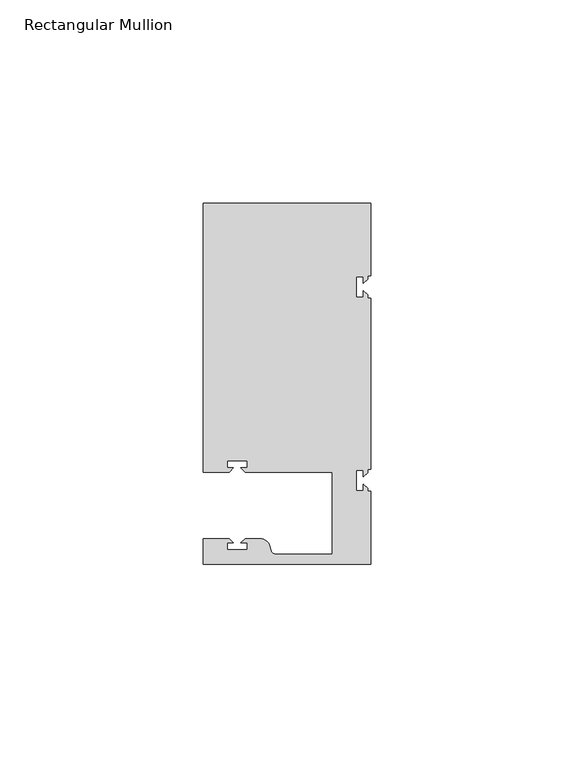
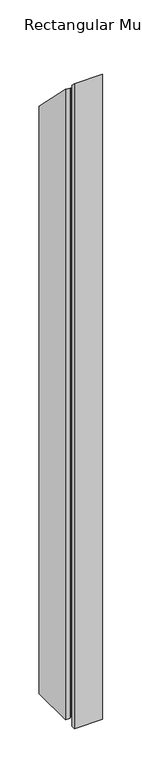
"""IFC4 building model written with IfcOpenShell, lengths in millimetres: member geometry, Rectangular Mullion."""

from ifc_helpers import new_model, si_unit, frame, origin, place, context, project, spatial, polyline, circle_curve, ellipse_curve, source, transform, mapped, element, save
from ifc_brep_helpers import plane_surface, cylinder_surface, revolved_surface, advanced_brep


def rectangular_mullion_cd04948c(model_context):
    return source(origin(), model_context, "Body", "AdvancedBrep", [
        advanced_brep(
        [(0.0, -44.45, -952.5), (-41.2749977, -44.45, -952.5), (-41.2749977, -38.1499897, -952.5), (-34.8007531, -38.1499897, -952.5), (-33.8007405, -39.1500023, -952.5), (-35.3749778, -39.1500023, -952.5), (-35.3749778, -40.9498819, -952.5), (-30.3749831, -40.9498819, -952.5), (-30.3749831, -39.1500023, -952.5), (-31.949256, -39.1500023, -952.5), (-30.9492503, -38.1499966, -952.5), (-27.2637853, -38.1499966, -952.5), (-24.8489707, -40.002949, -952.5), (-24.5258588, -41.2088192, -952.5), (-23.5599329, -41.9500001, -952.5), (-9.525, -41.95, -952.5), (-9.525, -21.7499959, -952.5), (-30.9492434, -21.7499959, -952.5), (-31.949256, -20.7499834, -952.5), (-30.3750186, -20.7499834, -952.5), (-30.3750186, -18.949936, -952.5), (-35.3750134, -18.949936, -952.5), (-35.3750134, -20.7499834, -952.5), (-33.8007405, -20.7499834, -952.5), (-34.8007562, -21.749999, -952.5), (-41.275, -21.749999, -952.5), (-41.275, 44.45, -952.5), (0.0, 44.45, -952.5), (0.0, 26.5319902, -952.5), (-0.79375, 26.5319902, -952.5), (-0.79375, 25.7382757, -952.5), (-1.7937657, 24.73826, -952.5), (-1.7937657, 26.3124974, -952.5), (-3.5938131, 26.3124974, -952.5), (-3.5938131, 21.3125026, -952.5), (-1.7937657, 21.3125026, -952.5), (-1.7937657, 22.8867755, -952.5), (-0.79375, 21.8867598, -952.5), (-0.79375, 21.0930098, -952.5), (0.0, 21.0930098, -952.5), (0.0, -21.0930098, -952.5), (-0.79375, -21.0930098, -952.5), (-0.79375, -21.8867243, -952.5), (-1.7937657, -22.88674, -952.5), (-1.7937657, -21.3125026, -952.5), (-3.5938131, -21.3125026, -952.5), (-3.5938131, -26.3124974, -952.5), (-1.7937657, -26.3124974, -952.5), (-1.7937657, -24.7382245, -952.5), (-0.79375, -25.7382402, -952.5), (-0.79375, -26.5319902, -952.5), (0.0, -26.5319902, -952.5), (0.0, -26.5319902, 26.5319902), (0.0, -44.45, 44.45), (-0.79375, -26.5319902, 26.5319902), (-0.79375, -25.7382402, 25.7382402), (-1.7937657, -24.7382245, 24.7382245), (-1.7937657, -26.3124974, 26.3124974), (-3.5938131, -26.3124974, 26.3124974), (-3.5938131, -21.3125026, 21.3125026), (-1.7937657, -21.3125026, 21.3125026), (-1.7937657, -22.88674, 22.88674), (-0.79375, -21.8867243, 21.8867243), (-0.79375, -21.0930098, 21.0930098), (0.0, -21.0930098, 21.0930098), (0.0, 21.0930098, -21.0930098), (-0.79375, 21.0930098, -21.0930098), (-0.79375, 21.8867598, -21.8867598), (-1.7937657, 22.8867755, -22.8867755), (-1.7937657, 21.3125026, -21.3125026), (-3.5938131, 21.3125026, -21.3125026), (-3.5938131, 26.3124974, -26.3124974), (-1.7937657, 26.3124974, -26.3124974), (-1.7937657, 24.73826, -24.73826), (-0.79375, 25.7382757, -25.7382757), (-0.79375, 26.5319902, -26.5319902), (0.0, 26.5319902, -26.5319902), (0.0, 44.45, -44.45), (-41.275, 44.45, -44.45), (-41.275, -21.749999, 21.749999), (-34.8007562, -21.749999, 21.749999), (-33.8007405, -20.7499834, 20.7499834), (-35.3750134, -20.7499834, 20.7499834), (-35.3750134, -18.949936, 18.949936), (-30.3750186, -18.949936, 18.949936), (-30.3750186, -20.7499834, 20.7499834), (-31.949256, -20.7499834, 20.7499834), (-30.9492434, -21.7499959, 21.7499959), (-9.525, -21.7499959, 21.7499959), (-9.525, -41.95, 41.95), (-23.5599329, -41.95, 41.9500001), (-24.5258588, -41.2088192, 41.2088192), (-24.8489707, -40.002949, 40.002949), (-27.2637853, -38.1499966, 38.1499966), (-30.9492503, -38.1499966, 38.1499966), (-31.949256, -39.1500023, 39.1500023), (-30.3749831, -39.1500023, 39.1500023), (-30.3749831, -40.9498819, 40.9498819), (-35.3749778, -40.9498819, 40.9498819), (-35.3749778, -39.1500023, 39.1500023), (-33.8007405, -39.1500023, 39.1500023), (-34.8007531, -38.1499897, 38.1499897), (-41.2749977, -38.1499897, 38.1499897), (-41.2749977, -44.45, 44.45)],
        [
            (0, 1),
            (1, 2),
            (2, 3),
            (3, 4),
            (4, 5),
            (5, 6),
            (6, 7),
            (7, 8),
            (8, 9),
            (9, 10),
            (10, 11),
            (11, 12, circle_curve(frame((-27.2637853, -40.6499966, -952.5), z_axis=(0.0, 0.0, -1.0), x_axis=(0.0, 1.0, 0.0)), 2.5)),
            (12, 13),
            (13, 14, circle_curve(frame((-23.5599329, -40.9500001, -952.5), z_axis=(0.0, 0.0, 1.0), x_axis=(0.0, 1.0, 0.0)), 1.0)),
            (14, 15),
            (15, 16),
            (16, 17),
            (17, 18),
            (18, 19),
            (19, 20),
            (20, 21),
            (21, 22),
            (22, 23),
            (23, 24),
            (24, 25),
            (25, 26),
            (26, 27),
            (27, 28),
            (28, 29),
            (29, 30),
            (30, 31),
            (31, 32),
            (32, 33),
            (33, 34),
            (34, 35),
            (35, 36),
            (36, 37),
            (37, 38),
            (38, 39),
            (39, 40),
            (40, 41),
            (41, 42),
            (42, 43),
            (43, 44),
            (44, 45),
            (45, 46),
            (46, 47),
            (47, 48),
            (48, 49),
            (49, 50),
            (50, 51),
            (51, 0),
            (52, 53),
            (53, 0),
            (51, 52),
            (54, 52),
            (50, 54),
            (55, 54),
            (49, 55),
            (56, 55),
            (48, 56),
            (57, 56),
            (47, 57),
            (58, 57),
            (46, 58),
            (59, 58),
            (45, 59),
            (60, 59),
            (44, 60),
            (61, 60),
            (43, 61),
            (62, 61),
            (42, 62),
            (63, 62),
            (41, 63),
            (64, 63),
            (40, 64),
            (65, 64),
            (39, 65),
            (66, 65),
            (38, 66),
            (67, 66),
            (37, 67),
            (68, 67),
            (36, 68),
            (69, 68),
            (35, 69),
            (70, 69),
            (34, 70),
            (71, 70),
            (33, 71),
            (72, 71),
            (32, 72),
            (73, 72),
            (31, 73),
            (74, 73),
            (30, 74),
            (75, 74),
            (29, 75),
            (76, 75),
            (28, 76),
            (77, 76),
            (27, 77),
            (78, 77),
            (26, 78),
            (79, 78),
            (25, 79),
            (80, 79),
            (24, 80),
            (81, 80),
            (23, 81),
            (82, 81),
            (22, 82),
            (83, 82),
            (21, 83),
            (84, 83),
            (20, 84),
            (85, 84),
            (19, 85),
            (86, 85),
            (18, 86),
            (87, 86),
            (17, 87),
            (88, 87),
            (16, 88),
            (89, 88),
            (15, 89),
            (90, 89),
            (14, 90),
            (91, 90, ellipse_curve(frame((-23.5599329, -40.9500001, 40.9500001), z_axis=(0.0, 0.7071067811865476, 0.7071067811865476), x_axis=(0.0, 0.7071067811865476, -0.7071067811865474)), 1.4142136, 1.0)),
            (13, 91),
            (92, 91),
            (12, 92),
            (93, 92, ellipse_curve(frame((-27.2637853, -40.6499966, 40.6499966), z_axis=(0.0, -0.7071067811865476, -0.7071067811865476), x_axis=(0.0, -0.7071067811865476, 0.7071067811865474)), 3.5355339, 2.5)),
            (11, 93),
            (94, 93),
            (10, 94),
            (95, 94),
            (9, 95),
            (96, 95),
            (8, 96),
            (97, 96),
            (7, 97),
            (98, 97),
            (6, 98),
            (99, 98),
            (5, 99),
            (100, 99),
            (4, 100),
            (101, 100),
            (3, 101),
            (102, 101),
            (2, 102),
            (103, 102),
            (1, 103),
            (53, 103),
        ],
        [
            plane_surface(frame((0.0, -60.6582898, -952.5), z_axis=(0.0, 0.0, -1.0), x_axis=(-1.0, 0.0, 0.0))),
            plane_surface(frame((0.0, -44.45, 0.0), z_axis=(1.0, 0.0, 0.0), x_axis=(0.0, 0.0, -1.0))),
            plane_surface(frame((0.0, -26.5319902, 0.0), z_axis=(0.0, 1.0, 0.0), x_axis=(0.0, 0.0, -1.0))),
            plane_surface(frame((-0.79375, -26.5319902, 0.0), z_axis=(1.0, 0.0, 0.0), x_axis=(0.0, 0.0, -1.0))),
            plane_surface(frame((-0.79375, -25.7382402, 0.0), z_axis=(0.7071067811865522, 0.7071067811865429, 0.0), x_axis=(0.0, 0.0, -1.0))),
            plane_surface(frame((-1.7937657, -24.7382245, 0.0), z_axis=(-1.0, 0.0, 0.0), x_axis=(0.0, 0.0, -1.0))),
            plane_surface(frame((-1.7937657, -26.3124974, 0.0), z_axis=(0.0, 1.0, 0.0), x_axis=(0.0, 0.0, -1.0))),
            plane_surface(frame((-3.5938131, -26.3124974, 0.0), z_axis=(1.0, 0.0, 0.0), x_axis=(0.0, 0.0, -1.0))),
            plane_surface(frame((-3.5938131, -21.3125026, 0.0), z_axis=(0.0, -1.0, 0.0), x_axis=(0.0, 0.0, -1.0))),
            plane_surface(frame((-1.7937657, -21.3125026, 0.0), z_axis=(-1.0, 0.0, 0.0), x_axis=(0.0, 0.0, -1.0))),
            plane_surface(frame((-1.7937657, -22.88674, 0.0), z_axis=(0.7071067811865416, -0.7071067811865536, 0.0), x_axis=(0.0, 0.0, -1.0))),
            plane_surface(frame((-0.79375, -21.8867243, 0.0), z_axis=(1.0, 0.0, 0.0), x_axis=(0.0, 0.0, -1.0))),
            plane_surface(frame((-0.79375, -21.0930098, 0.0), z_axis=(0.0, -1.0, 0.0), x_axis=(0.0, 0.0, -1.0))),
            plane_surface(frame((0.0, -21.0930098, 0.0), z_axis=(1.0, 0.0, 0.0), x_axis=(0.0, 0.0, -1.0))),
            plane_surface(frame((0.0, 21.0930098, 0.0), z_axis=(0.0, 1.0, 0.0), x_axis=(0.0, 0.0, -1.0))),
            plane_surface(frame((-0.79375, 21.0930098, 0.0), z_axis=(1.0, 0.0, 0.0), x_axis=(0.0, 0.0, -1.0))),
            plane_surface(frame((-0.79375, 21.8867598, 0.0), z_axis=(0.7071067811865522, 0.7071067811865429, 0.0), x_axis=(0.0, 0.0, -1.0))),
            plane_surface(frame((-1.7937657, 22.8867755, 0.0), z_axis=(-1.0, 0.0, 0.0), x_axis=(0.0, 0.0, -1.0))),
            plane_surface(frame((-1.7937657, 21.3125026, 0.0), z_axis=(0.0, 1.0, 0.0), x_axis=(0.0, 0.0, -1.0))),
            plane_surface(frame((-3.5938131, 21.3125026, 0.0), z_axis=(1.0, 0.0, 0.0), x_axis=(0.0, 0.0, -1.0))),
            plane_surface(frame((-3.5938131, 26.3124974, 0.0), z_axis=(0.0, -1.0, 0.0), x_axis=(0.0, 0.0, -1.0))),
            plane_surface(frame((-1.7937657, 26.3124974, 0.0), z_axis=(-1.0, 0.0, 0.0), x_axis=(0.0, 0.0, -1.0))),
            plane_surface(frame((-1.7937657, 24.73826, 0.0), z_axis=(0.7071067811865416, -0.7071067811865536, 0.0), x_axis=(0.0, 0.0, -1.0))),
            plane_surface(frame((-0.79375, 25.7382757, 0.0), z_axis=(1.0, 0.0, 0.0), x_axis=(0.0, 0.0, -1.0))),
            plane_surface(frame((-0.79375, 26.5319902, 0.0), z_axis=(0.0, -1.0, 0.0), x_axis=(0.0, 0.0, -1.0))),
            plane_surface(frame((0.0, 26.5319902, 0.0), z_axis=(1.0, 0.0, 0.0), x_axis=(0.0, 0.0, -1.0))),
            plane_surface(frame((0.0, 44.45, 0.0), z_axis=(0.0, 1.0, 0.0), x_axis=(0.0, 0.0, -1.0))),
            plane_surface(frame((-41.275, 44.45, 0.0), z_axis=(-1.0, 0.0, 0.0), x_axis=(0.0, 0.0, -1.0))),
            plane_surface(frame((-41.275, -21.749999, 0.0), z_axis=(0.0, -1.0, 0.0), x_axis=(0.0, 0.0, -1.0))),
            plane_surface(frame((-34.8007562, -21.749999, 0.0), z_axis=(0.7071067811865472, -0.7071067811865479, 0.0), x_axis=(0.0, 0.0, -1.0))),
            plane_surface(frame((-33.8007405, -20.7499834, 0.0), z_axis=(0.0, 1.0, 0.0), x_axis=(0.0, 0.0, -1.0))),
            plane_surface(frame((-35.3750134, -20.7499834, 0.0), z_axis=(1.0, 0.0, 0.0), x_axis=(0.0, 0.0, -1.0))),
            plane_surface(frame((-35.3750134, -18.949936, 0.0), z_axis=(0.0, -1.0, 0.0), x_axis=(0.0, 0.0, -1.0))),
            plane_surface(frame((-30.3750186, -18.949936, 0.0), z_axis=(-1.0, 0.0, 0.0), x_axis=(0.0, 0.0, -1.0))),
            plane_surface(frame((-30.3750186, -20.7499834, 0.0), z_axis=(0.0, 1.0, 0.0), x_axis=(0.0, 0.0, -1.0))),
            plane_surface(frame((-31.949256, -20.7499834, 0.0), z_axis=(-0.7071067811865492, -0.7071067811865459, 0.0), x_axis=(0.0, 0.0, -1.0))),
            plane_surface(frame((-30.9492434, -21.7499959, 0.0), z_axis=(0.0, -1.0, 0.0), x_axis=(0.0, 0.0, -1.0))),
            plane_surface(frame((-9.525, -21.7499959, 0.0), z_axis=(-1.0, 0.0, 0.0), x_axis=(0.0, 0.0, -1.0))),
            plane_surface(frame((-9.525, -41.95, 0.0), z_axis=(0.0, 1.0, 0.0), x_axis=(0.0, 0.0, -1.0))),
            revolved_surface(polyline([(-23.5599329, -39.9500001, -952.5), (-23.5599329, -39.9500001, 41.950000126606234)]), (-23.5599329, -40.9500001, 0.0), (0.0, 0.0, -1.0)),
            plane_surface(frame((-24.5258588, -41.2088192, 0.0), z_axis=(0.965925826289163, 0.2588190451021675, 0.0), x_axis=(0.0, 0.0, -1.0))),
            cylinder_surface(frame((-27.2637853, -40.6499966, 0.0), z_axis=(0.0, 0.0, 1.0), x_axis=(0.0, 1.0, 0.0)), 2.5),
            plane_surface(frame((-27.2637853, -38.1499966, 0.0), z_axis=(0.0, 1.0, 0.0), x_axis=(0.0, 0.0, -1.0))),
            plane_surface(frame((-30.9492503, -38.1499966, 0.0), z_axis=(-0.7071067811865469, 0.7071067811865481, 0.0), x_axis=(0.0, 0.0, -1.0))),
            plane_surface(frame((-31.949256, -39.1500023, 0.0), z_axis=(0.0, -1.0, 0.0), x_axis=(0.0, 0.0, -1.0))),
            plane_surface(frame((-30.3749831, -39.1500023, 0.0), z_axis=(-1.0, 0.0, 0.0), x_axis=(0.0, 0.0, -1.0))),
            plane_surface(frame((-30.3749831, -40.9498819, 0.0), z_axis=(0.0, 1.0, 0.0), x_axis=(0.0, 0.0, -1.0))),
            plane_surface(frame((-35.3749778, -40.9498819, 0.0), z_axis=(1.0, 0.0, 0.0), x_axis=(0.0, 0.0, -1.0))),
            plane_surface(frame((-35.3749778, -39.1500023, 0.0), z_axis=(0.0, -1.0, 0.0), x_axis=(0.0, 0.0, -1.0))),
            plane_surface(frame((-33.8007405, -39.1500023, 0.0), z_axis=(0.7071067811865492, 0.7071067811865459, 0.0), x_axis=(0.0, 0.0, -1.0))),
            plane_surface(frame((-34.8007531, -38.1499897, 0.0), z_axis=(0.0, 1.0, 0.0), x_axis=(0.0, 0.0, -1.0))),
            plane_surface(frame((-41.2749977, -38.1499897, 0.0), z_axis=(-1.0, 0.0, 0.0), x_axis=(0.0, 0.0, -1.0))),
            plane_surface(frame((-41.2749977, -44.45, 0.0), z_axis=(0.0, -1.0, 0.0), x_axis=(0.0, 0.0, -1.0))),
            plane_surface(frame((-304.8, 0.0, 0.0), z_axis=(0.0, 0.7071067811865476, 0.7071067811865476), x_axis=(0.0, 0.7071067811865476, -0.7071067811865476))),
        ],
        [
            (0, [[1, 2, 3, 4, 5, 6, 7, 8, 9, 10, 11, 12, 13, 14, 15, 16, 17, 18, 19, 20, 21, 22, 23, 24, 25, 26, 27, 28, 29, 30, 31, 32, 33, 34, 35, 36, 37, 38, 39, 40, 41, 42, 43, 44, 45, 46, 47, 48, 49, 50, 51, 52]]),
            (1, [[53, 54, -52, 55]]),
            (2, [[56, -55, -51, 57]]),
            (3, [[58, -57, -50, 59]]),
            (4, [[60, -59, -49, 61]]),
            (5, [[62, -61, -48, 63]]),
            (6, [[64, -63, -47, 65]]),
            (7, [[66, -65, -46, 67]]),
            (8, [[68, -67, -45, 69]]),
            (9, [[70, -69, -44, 71]]),
            (10, [[72, -71, -43, 73]]),
            (11, [[74, -73, -42, 75]]),
            (12, [[76, -75, -41, 77]]),
            (13, [[78, -77, -40, 79]]),
            (14, [[80, -79, -39, 81]]),
            (15, [[82, -81, -38, 83]]),
            (16, [[84, -83, -37, 85]]),
            (17, [[86, -85, -36, 87]]),
            (18, [[88, -87, -35, 89]]),
            (19, [[90, -89, -34, 91]]),
            (20, [[92, -91, -33, 93]]),
            (21, [[94, -93, -32, 95]]),
            (22, [[96, -95, -31, 97]]),
            (23, [[98, -97, -30, 99]]),
            (24, [[100, -99, -29, 101]]),
            (25, [[102, -101, -28, 103]]),
            (26, [[104, -103, -27, 105]]),
            (27, [[106, -105, -26, 107]]),
            (28, [[108, -107, -25, 109]]),
            (29, [[110, -109, -24, 111]]),
            (30, [[112, -111, -23, 113]]),
            (31, [[114, -113, -22, 115]]),
            (32, [[116, -115, -21, 117]]),
            (33, [[118, -117, -20, 119]]),
            (34, [[120, -119, -19, 121]]),
            (35, [[122, -121, -18, 123]]),
            (36, [[124, -123, -17, 125]]),
            (37, [[126, -125, -16, 127]]),
            (38, [[128, -127, -15, 129]]),
            (39, [[130, -129, -14, 131]]),
            (40, [[132, -131, -13, 133]]),
            (41, [[134, -133, -12, 135]]),
            (42, [[136, -135, -11, 137]]),
            (43, [[138, -137, -10, 139]]),
            (44, [[140, -139, -9, 141]]),
            (45, [[142, -141, -8, 143]]),
            (46, [[144, -143, -7, 145]]),
            (47, [[146, -145, -6, 147]]),
            (48, [[148, -147, -5, 149]]),
            (49, [[150, -149, -4, 151]]),
            (50, [[152, -151, -3, 153]]),
            (51, [[154, -153, -2, 155]]),
            (52, [[156, -155, -1, -54]]),
            (53, [[-53, -56, -58, -60, -62, -64, -66, -68, -70, -72, -74, -76, -78, -80, -82, -84, -86, -88, -90, -92, -94, -96, -98, -100, -102, -104, -106, -108, -110, -112, -114, -116, -118, -120, -122, -124, -126, -128, -130, -132, -134, -136, -138, -140, -142, -144, -146, -148, -150, -152, -154, -156]]),
        ],
    ),
    ])


if __name__ == "__main__":
    model = new_model("IFC4")
    model_context = context("Model", 3, world=origin())
    ifc_project = project(units=[si_unit("LENGTHUNIT", "METRE", prefix="MILLI")], contexts=[model_context])
    site = spatial("IfcSite", under=ifc_project)
    building = spatial("IfcBuilding", under=site)
    placement = place(None, origin())
    rectangular_mullion_shape = rectangular_mullion_cd04948c(model_context)
    element("IfcMember", 1, ObjectType="Rectangular Mullion", at=placement, inside=building, context=model_context, shape_type="MappedRepresentation", body=[
        mapped(rectangular_mullion_shape, transform((0.0, 0.0, 0.0), x_axis=(1.0, 0.0, 0.0), y_axis=(0.0, 1.0, 0.0), z_axis=(0.0, 0.0, 1.0))),
    ])
    save(model, "model.ifc")
